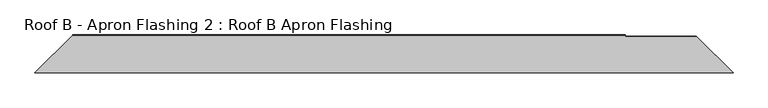
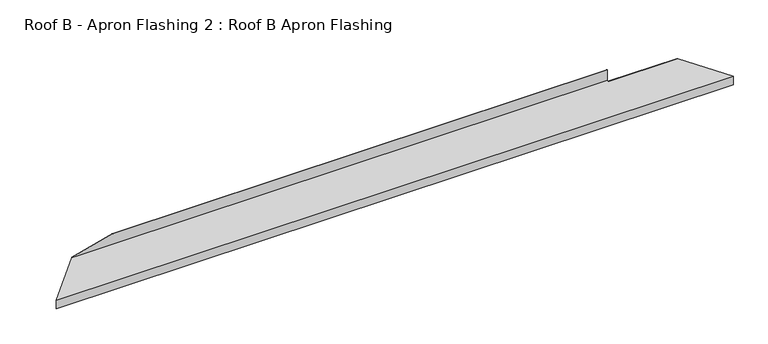
"""IFC4 building model written with IfcOpenShell, lengths in millimetres: proxy geometry, Roof B - Apron Flashing 2 : Roof B Apron Flashing."""

from ifc_helpers import new_model, si_unit, origin, place, context, project, spatial, faceted_brep, source, transform, mapped, element, save


def roof_b_apron_flashing_2_roof_b_apron_flashing_96efc4f1(model_context):
    return source(origin(), model_context, "Body", "Brep", [
        faceted_brep([(162.5949249, -3905.5534225, 3495.6588838), (361.9679069, -3706.1804406, 3549.0807133), (3270.0, -3706.1804406, 3549.0807133), (3270.0, -3712.5045852, 3547.3861639), (3644.3562378, -3712.5045852, 3547.3861639), (3837.4050751, -3905.5534225, 3495.6588838), (361.9679069, -3706.1804406, 3552.5739945), (580.5163547, -3706.1804406, 3611.1338746), (3270.0, -3706.1804406, 3611.1338746), (3270.0, -3707.1804406, 3611.1338746), (580.5163547, -3707.1804406, 3611.1338746), (360.9679069, -3707.1804406, 3549.8480403), (3270.0, -3707.1804406, 3549.8480403), (360.9679069, -3707.1804406, 3552.3060453), (161.5949249, -3906.5534225, 3496.4262108), (3838.4050751, -3906.5534225, 3496.4262108), (3648.2199411, -3716.3682885, 3547.3861639), (3270.0, -3716.3682885, 3547.3861639), (161.5949249, -3906.5534225, 3446.4262108), (3838.4050751, -3906.5534225, 3446.4262108), (162.5949249, -3905.5534225, 3446.4262108), (3837.4050751, -3905.5534225, 3446.4262108)], [[[0, 1, 2, 3, 4, 5]], [[2, 1, 6, 7, 8]], [[9, 8, 7, 10]], [[11, 12, 9, 10, 13]], [[11, 14, 15, 16, 17, 12]], [[14, 18, 19, 15]], [[18, 20, 21, 19]], [[20, 0, 5, 21]], [[1, 0, 20, 18, 14, 11, 13, 6]], [[3, 17, 16, 4]], [[17, 3, 2, 8, 9, 12]], [[7, 6, 13, 10]], [[5, 4, 16, 15, 19, 21]]]),
    ])


if __name__ == "__main__":
    model = new_model("IFC4")
    model_context = context("Model", 3, world=origin())
    ifc_project = project(units=[si_unit("LENGTHUNIT", "METRE", prefix="MILLI")], contexts=[model_context])
    site = spatial("IfcSite", under=ifc_project)
    building = spatial("IfcBuilding", under=site)
    placement = place(None, origin())
    roof_b_apron_flashing_2_roof_b_apron_flashing_shape = roof_b_apron_flashing_2_roof_b_apron_flashing_96efc4f1(model_context)
    element("IfcBuildingElementProxy", 1, Name="Roof B - Apron Flashing 2 : Roof B Apron Flashing", ObjectType="Roof B - Apron Flashing 2 : Roof B Apron Flashing", at=placement, inside=building, context=model_context, shape_type="MappedRepresentation", body=[
        mapped(roof_b_apron_flashing_2_roof_b_apron_flashing_shape, transform((0.0, 0.0, 0.0), x_axis=(1.0, 0.0, 0.0), y_axis=(0.0, 1.0, 0.0), z_axis=(0.0, 0.0, 1.0))),
    ])
    save(model, "model.ifc")
